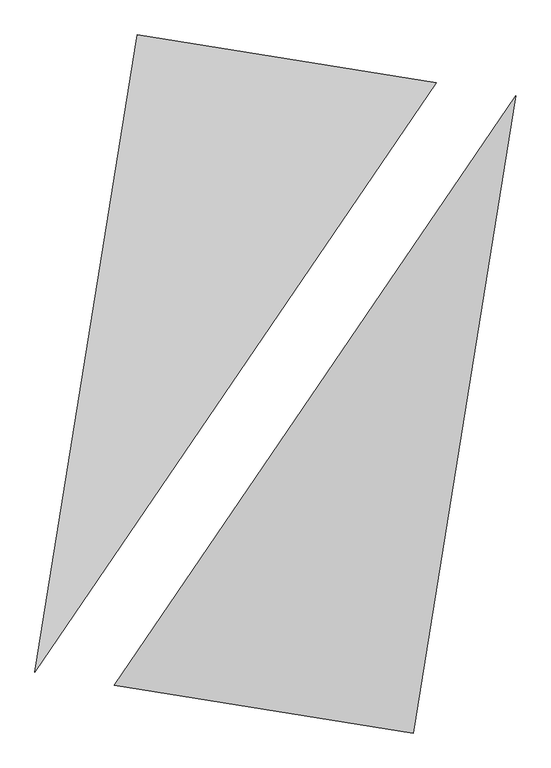
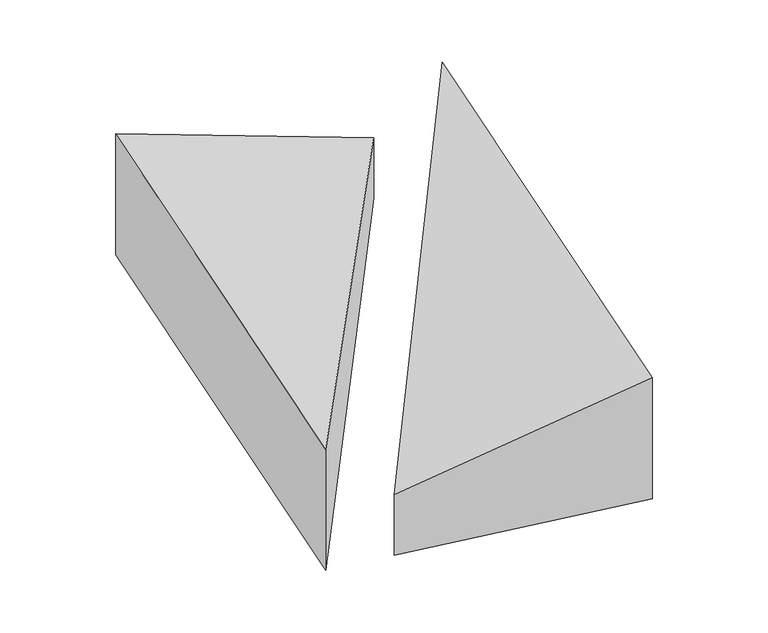
"""IFC4 building model written with IfcOpenShell, lengths in millimetres: proxy geometry."""

from ifc_helpers import new_model, si_unit, origin, place, context, project, spatial, faceted_brep, source, transform, mapped, element, save


def generic_models_304b6380(model_context):
    return source(origin(), model_context, "Body", "Brep", [
        faceted_brep([(996.0666559, 1865.8780631, 0.0), (-856.0170022, 2162.7277087, 0.0), (-856.0170022, 2162.7277087, 1000.0), (996.0666559, 1865.8780631, 500.0), (-1489.0524341, -1786.862921, 0.0), (-1489.0524341, -1786.862921, 1000.0)], [[[0, 1, 2, 3]], [[1, 4, 5, 2]], [[4, 0, 3, 5]], [[3, 2, 5]], [[0, 4, 1]]]),
        faceted_brep([(856.0170022, -2162.7277087, 0.0), (1489.0524341, 1786.862921, 0.0), (1489.0524341, 1786.862921, 1000.0), (856.0170022, -2162.7277087, 1000.0), (-996.0666559, -1865.8780631, 0.0), (-996.0666559, -1865.8780631, 500.0)], [[[0, 1, 2, 3]], [[1, 4, 5, 2]], [[4, 0, 3, 5]], [[2, 5, 3]], [[0, 4, 1]]]),
    ])


if __name__ == "__main__":
    model = new_model("IFC4")
    model_context = context("Model", 3, world=origin())
    ifc_project = project(units=[si_unit("LENGTHUNIT", "METRE", prefix="MILLI")], contexts=[model_context])
    site = spatial("IfcSite", under=ifc_project)
    building = spatial("IfcBuilding", under=site)
    placement = place(None, origin())
    generic_models_shape = generic_models_304b6380(model_context)
    element("IfcBuildingElementProxy", 1, Name="Generic Models", at=placement, inside=building, context=model_context, shape_type="MappedRepresentation", body=[
        mapped(generic_models_shape, transform((0.0, 0.0, 0.0), x_axis=(1.0, 0.0, 0.0), y_axis=(0.0, 1.0, 0.0), z_axis=(0.0, 0.0, 1.0))),
    ])
    save(model, "model.ifc")
